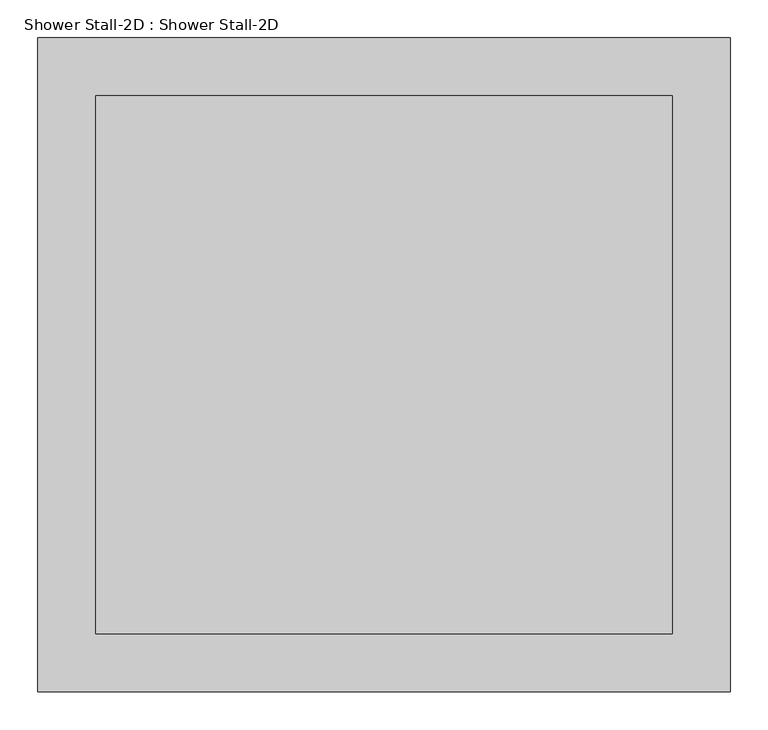
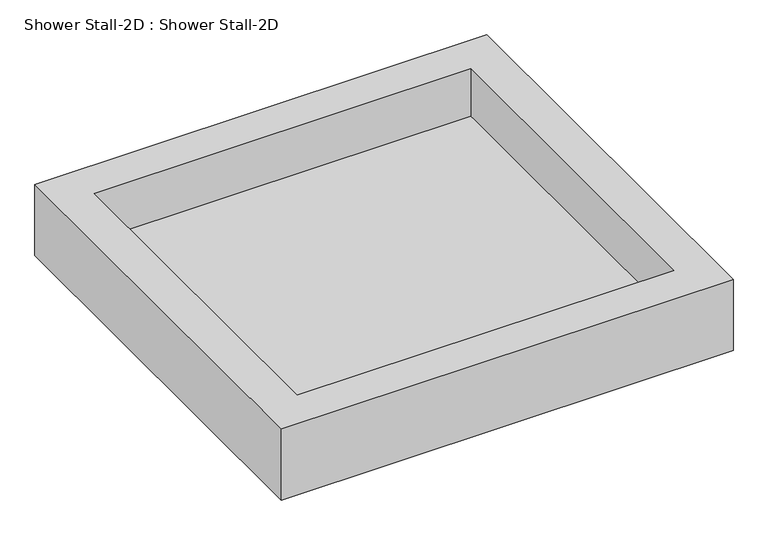
"""IFC4 building model written with IfcOpenShell, lengths in millimetres: flow terminal geometry, Shower Stall-2D : Shower Stall-2D."""

from ifc_helpers import new_model, si_unit, origin, origin_with_axes, place, context, project, spatial, polyline, outline, extrude, source, transform, mapped, element, save


def shower_stall_2d_shower_stall_2d_8b17f82e(model_context):
    return source(origin(), model_context, "Body", "SweptSolid", [
        extrude(outline(polyline([(838.2, 787.4), (838.2, 76.2), (76.2, 76.2), (76.2, 787.4), (838.2, 787.4)])), origin_with_axes(), (0.0, 0.0, 1.0), 50.8),
        extrude(outline(polyline([(0.0, 0.0), (0.0, 863.6), (914.4, 863.6), (914.4, 0.0), (0.0, 0.0)]), holes=[polyline([(76.2, 76.2), (838.2, 76.2), (838.2, 787.4), (76.2, 787.4), (76.2, 76.2)])]), origin_with_axes(), (0.0, 0.0, 1.0), 152.4),
    ])


if __name__ == "__main__":
    model = new_model("IFC4")
    model_context = context("Model", 3, world=origin())
    ifc_project = project(units=[si_unit("LENGTHUNIT", "METRE", prefix="MILLI")], contexts=[model_context])
    site = spatial("IfcSite", under=ifc_project)
    building = spatial("IfcBuilding", under=site)
    placement = place(None, origin())
    shower_stall_2d_shower_stall_2d_shape = shower_stall_2d_shower_stall_2d_8b17f82e(model_context)
    element("IfcFlowTerminal", 1, ObjectType="Shower Stall-2D : Shower Stall-2D", at=placement, inside=building, context=model_context, shape_type="MappedRepresentation", body=[
        mapped(shower_stall_2d_shower_stall_2d_shape, transform((0.0, 0.0, 0.0), x_axis=(1.0, 0.0, 0.0), y_axis=(0.0, 1.0, 0.0), z_axis=(0.0, 0.0, 1.0))),
    ])
    save(model, "model.ifc")
